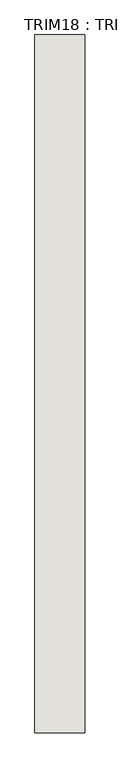
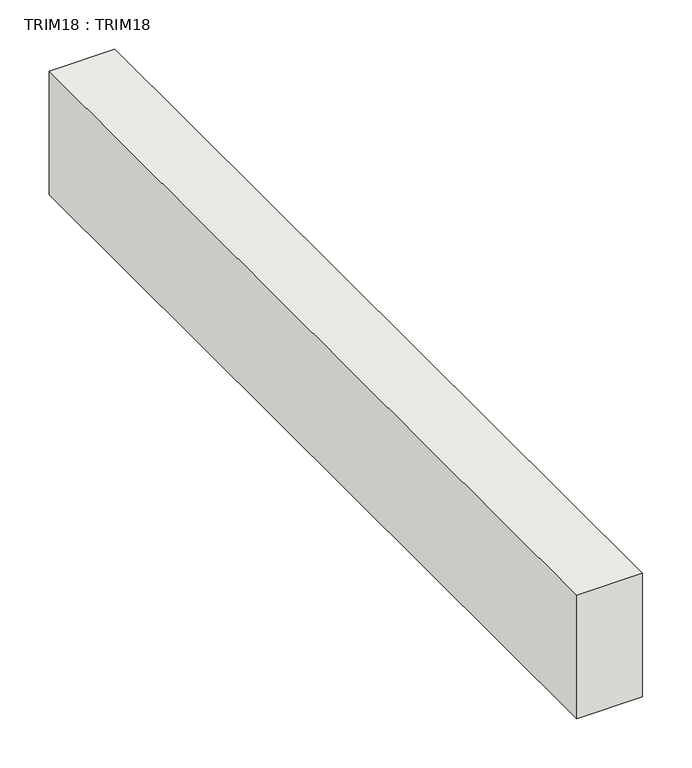
"""IFC4 building model written with IfcOpenShell, lengths in millimetres: wall geometry, TRIM18 : TRIM18."""

from ifc_helpers import new_model, si_unit, frame, origin, place, context, project, spatial, polyline, outline, extrude, source, transform, mapped, element, save


def trim18_trim18_7f525d3f(model_context):
    return source(origin(), model_context, "Body", "SweptSolid", [
        extrude(outline(polyline([(-16526.2716415, 6932.4982965), (-16526.2716415, 5865.6982965), (-16602.4716415, 5865.6982965), (-16602.4716415, 6932.4982965), (-16526.2716415, 6932.4982965)])), frame((0.0, 0.0, 7924.8), z_axis=(0.0, 0.0, 1.0), x_axis=(1.0, 0.0, 0.0)), (0.0, 0.0, 1.0), 152.4),
    ])


if __name__ == "__main__":
    model = new_model("IFC4")
    model_context = context("Model", 3, world=origin())
    ifc_project = project(units=[si_unit("LENGTHUNIT", "METRE", prefix="MILLI")], contexts=[model_context])
    site = spatial("IfcSite", under=ifc_project)
    building = spatial("IfcBuilding", under=site)
    placement = place(None, origin())
    trim18_trim18_shape = trim18_trim18_7f525d3f(model_context)
    element("IfcWall", 1, ObjectType="TRIM18 : TRIM18", at=placement, inside=building, context=model_context, shape_type="MappedRepresentation", body=[
        mapped(trim18_trim18_shape, transform((0.0, 0.0, 0.0), x_axis=(1.0, 0.0, 0.0), y_axis=(0.0, 1.0, 0.0), z_axis=(0.0, 0.0, 1.0))),
    ])
    save(model, "model.ifc")
